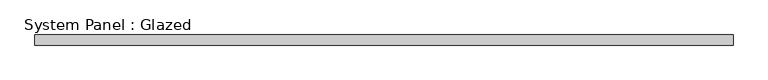
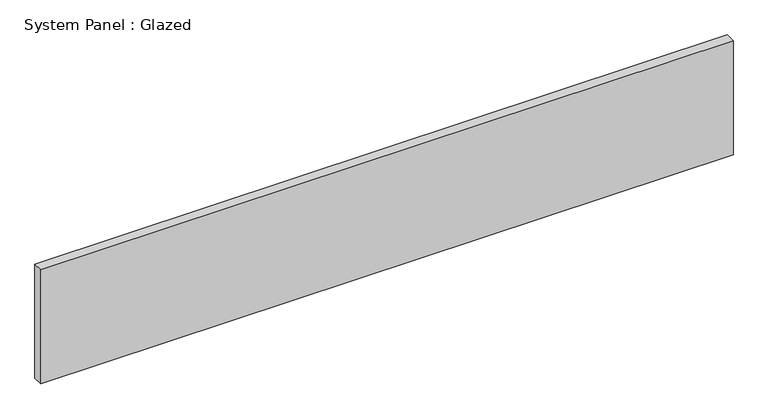
"""IFC4 building model written with IfcOpenShell, lengths in millimetres: plate geometry, System Panel : Glazed."""

from ifc_helpers import new_model, si_unit, origin, origin_with_axes, place, context, project, spatial, polyline, outline, extrude, source, transform, mapped, element, save


def system_panel_glazed_6fdb651a(model_context):
    return source(origin(), model_context, "Body", "SweptSolid", [
        extrude(outline(polyline([(862.0, 24.5), (-862.0, 24.5), (-862.0, 49.5), (862.0, 49.5), (862.0, 24.5)])), origin_with_axes(), (0.0, 0.0, 1.0), 300.0),
    ])


if __name__ == "__main__":
    model = new_model("IFC4")
    model_context = context("Model", 3, world=origin())
    ifc_project = project(units=[si_unit("LENGTHUNIT", "METRE", prefix="MILLI")], contexts=[model_context])
    site = spatial("IfcSite", under=ifc_project)
    building = spatial("IfcBuilding", under=site)
    placement = place(None, origin())
    system_panel_glazed_shape = system_panel_glazed_6fdb651a(model_context)
    element("IfcPlate", 1, ObjectType="System Panel : Glazed", at=placement, inside=building, context=model_context, shape_type="MappedRepresentation", body=[
        mapped(system_panel_glazed_shape, transform((0.0, 0.0, 0.0), x_axis=(1.0, 0.0, 0.0), y_axis=(0.0, 1.0, 0.0), z_axis=(0.0, 0.0, 1.0))),
    ])
    save(model, "model.ifc")
